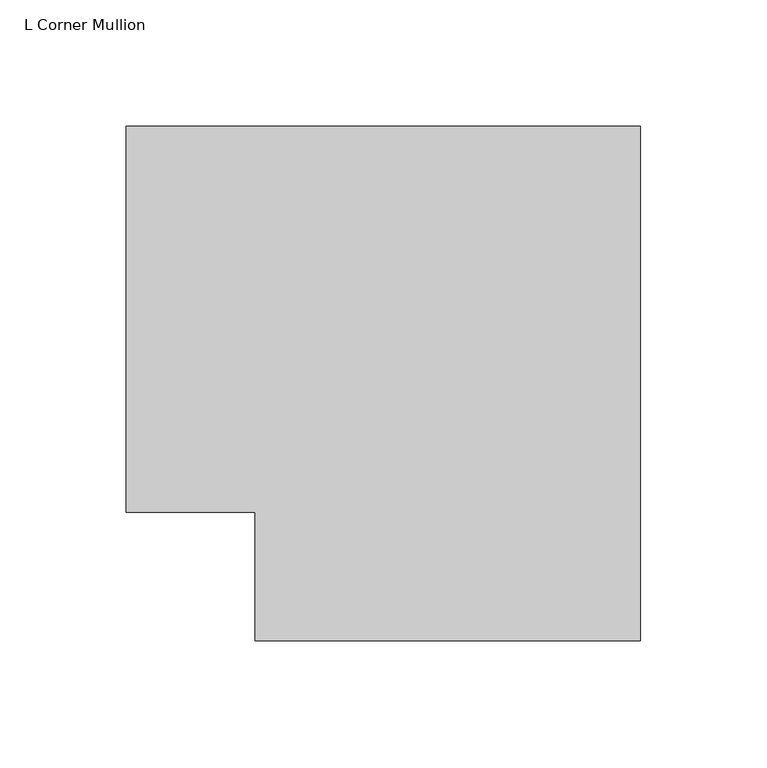
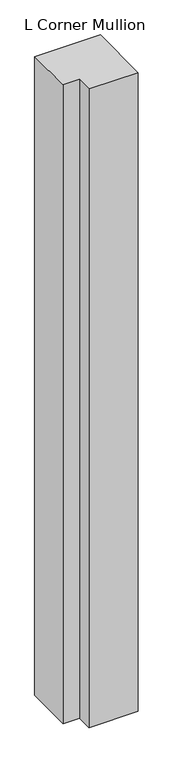
"""IFC4 building model written with IfcOpenShell, lengths in millimetres: member geometry, L Corner Mullion."""

import ifcopenshell
import ifcopenshell.guid

model = None  # the IFC model being written
_history = None  # IfcOwnerHistory: only IFC2X3 demands one
_inside = {}  # id of a spatial element -> (the spatial element, [elements in it])
_under = {}  # id of a project, library or spatial element -> (it, [spatial elements below it])
_declared = {}  # id of a project -> (the project, [libraries it declares])
_typed = {}  # id of a type object -> (the type object, [elements of that type])
_made_of = {}  # id of a material, layer set ... -> (it, [elements and type objects made of it])


def new_model(schema):
    """Start an empty IFC model of exactly this schema.

    Asked for "IFC4X3", IfcOpenShell would pick the latest addendum, in which some entities
    have other attributes; the version numbers below select the first issue.
    IFC2X3 requires an IfcOwnerHistory on every rooted entity: one is made here for all.
    """
    global model, _history
    if schema == "IFC4X3":
        model = ifcopenshell.file(schema_version=(4, 3, 0, 0))
    else:
        model = ifcopenshell.file(schema=schema)
    _inside.clear()
    _under.clear()
    _declared.clear()
    _typed.clear()
    _made_of.clear()
    _history = None
    if model.schema == "IFC2X3":
        org = make("IfcOrganization", Name="unknown")
        user = make(
            "IfcPersonAndOrganization",
            ThePerson=make("IfcPerson", FamilyName="unknown"),
            TheOrganization=org,
        )
        app = make(
            "IfcApplication",
            ApplicationDeveloper=org,
            Version="unknown",
            ApplicationFullName="unknown",
            ApplicationIdentifier="unknown",
        )
        _history = make(
            "IfcOwnerHistory",
            OwningUser=user,
            OwningApplication=app,
            ChangeAction="ADDED",
            CreationDate=0,
        )
    return model


def make(cls, **values):
    """One entity of the class cls with the attributes given. An attribute that is None is left unset."""
    return model.create_entity(
        cls, **{name: value for name, value in values.items() if value is not None}
    )


def rooted(cls, **values):
    """An entity with a GlobalId (a new one), such as an element, a storey or a relation."""
    return make(cls, GlobalId=ifcopenshell.guid.new(), OwnerHistory=_history, **values)


def si_unit(unit_type, name, prefix=None):
    """IfcSIUnit, for example si_unit("LENGTHUNIT", "METRE", prefix="MILLI")."""
    return make("IfcSIUnit", UnitType=unit_type, Prefix=prefix, Name=name)


def assignment(units):
    """IfcUnitAssignment: the units of a project."""
    return None if units is None else make("IfcUnitAssignment", Units=units)


def point(xyz):
    """IfcCartesianPoint."""
    return None if xyz is None else make("IfcCartesianPoint", Coordinates=xyz)


def direction(xyz):
    """IfcDirection."""
    return None if xyz is None else make("IfcDirection", DirectionRatios=xyz)


def frame(location, z_axis=None, x_axis=None):
    """IfcAxis2Placement3D, a coordinate frame: its origin and axes. An axis left out is left unset."""
    return make(
        "IfcAxis2Placement3D",
        Location=point(location),
        Axis=direction(z_axis),
        RefDirection=direction(x_axis),
    )


def origin():
    """The frame at (0, 0, 0) with its axes left unset."""
    return frame((0.0, 0.0, 0.0))


def place(relative_to, where):
    """IfcLocalPlacement: puts the frame where relative to a parent placement (None: the world)."""
    return make(
        "IfcLocalPlacement", PlacementRelTo=relative_to, RelativePlacement=where
    )


def context(
    kind, dimensions, precision=None, world=None, true_north=None, identifier=None
):
    """IfcGeometricRepresentationContext, for example the 3D "Model" context."""
    return make(
        "IfcGeometricRepresentationContext",
        ContextIdentifier=identifier,
        ContextType=kind,
        CoordinateSpaceDimension=dimensions,
        Precision=precision,
        WorldCoordinateSystem=world,
        TrueNorth=true_north,
    )


def project(units=None, contexts=None):
    """IfcProject with its units and contexts."""
    return rooted(
        "IfcProject",
        Name="project",
        RepresentationContexts=contexts,
        UnitsInContext=assignment(units),
    )


def spatial(cls, under=None, at=None, **own):
    """A site, building, storey or space (cls), placed at a placement, below another one or the project."""
    s = rooted(cls, ObjectPlacement=at, **own)
    if under is not None:
        _under.setdefault(under.id(), (under, []))[1].append(s)
    return s


def polyline(points):
    """IfcPolyline through the points."""
    return make("IfcPolyline", Points=[point(p) for p in points])


def outline(outer, holes=None, kind="AREA"):
    """IfcArbitraryClosedProfileDef: a profile drawn as a closed curve; with holes, ...WithVoids."""
    if holes is None:
        return make("IfcArbitraryClosedProfileDef", ProfileType=kind, OuterCurve=outer)
    return make(
        "IfcArbitraryProfileDefWithVoids",
        ProfileType=kind,
        OuterCurve=outer,
        InnerCurves=holes,
    )


def extrude(swept, where, along, depth):
    """IfcExtrudedAreaSolid: the profile swept, set in the frame where, extruded along a direction by depth."""
    return make(
        "IfcExtrudedAreaSolid",
        SweptArea=swept,
        Position=where,
        ExtrudedDirection=direction(along),
        Depth=depth,
    )


def shape(context_of_items, identifier, shape_type, items):
    """IfcShapeRepresentation: the items that make up one representation, for example the "Body"."""
    return make(
        "IfcShapeRepresentation",
        ContextOfItems=context_of_items,
        RepresentationIdentifier=identifier,
        RepresentationType=shape_type,
        Items=items,
    )


def source(mapping_origin, context_of_items, identifier, shape_type, items):
    """IfcRepresentationMap: a shape defined once, which mapped items show again and again."""
    return make(
        "IfcRepresentationMap",
        MappingOrigin=mapping_origin,
        MappedRepresentation=shape(context_of_items, identifier, shape_type, items),
    )


def transform(
    local_origin,
    x_axis=None,
    y_axis=None,
    z_axis=None,
    scale=None,
    scale2=None,
    scale3=None,
    uniform=True,
):
    """IfcCartesianTransformationOperator3D, or its non-uniform kind. x_axis, y_axis, z_axis: its Axis1, 2, 3."""
    if uniform:
        return make(
            "IfcCartesianTransformationOperator3D",
            Axis1=direction(x_axis),
            Axis2=direction(y_axis),
            LocalOrigin=point(local_origin),
            Scale=scale,
            Axis3=direction(z_axis),
        )
    return make(
        "IfcCartesianTransformationOperator3DnonUniform",
        Axis1=direction(x_axis),
        Axis2=direction(y_axis),
        LocalOrigin=point(local_origin),
        Scale=scale,
        Axis3=direction(z_axis),
        Scale2=scale2,
        Scale3=scale3,
    )


def mapped(mapping_source, mapping_target):
    """IfcMappedItem: shows the shape of a source again, moved by a transform."""
    return make(
        "IfcMappedItem", MappingSource=mapping_source, MappingTarget=mapping_target
    )


def made_of(thing, what):
    """Note that an element or type object is made of a material, layer set ...; save() writes the relation."""
    if what is not None:
        _made_of.setdefault(what.id(), (what, []))[1].append(thing)
    return thing


def element(
    cls,
    number,
    at=None,
    inside=None,
    cuts=None,
    type_object=None,
    material=None,
    context=None,
    identifier="Body",
    shape_type=None,
    held_by="IfcProductDefinitionShape",
    body=None,
    shapes=None,
    **own,
):
    """One element of the class cls, such as IfcWall. Its Tag is "e" and its number.

    at: its placement. inside: the storey or other place that contains it. cuts: it is an
    opening in that element (IfcRelVoidsElement). A single representation is given by context,
    identifier, shape_type and body (its items); several are given by shapes. held_by: the class
    of the entity that holds the representations. save() writes the other relations.
    """
    e = rooted(cls, Tag="e%d" % number, ObjectPlacement=at, **own)
    if body is not None:
        shapes = [shape(context, identifier, shape_type, body)]
    if shapes is not None:
        e.Representation = make(held_by, Representations=shapes)
    if inside is not None:
        _inside.setdefault(inside.id(), (inside, []))[1].append(e)
    if cuts is not None:
        rooted(
            "IfcRelVoidsElement", RelatingBuildingElement=cuts, RelatedOpeningElement=e
        )
    if type_object is not None:
        _typed.setdefault(type_object.id(), (type_object, []))[1].append(e)
    return made_of(e, material)


def aggregate(whole, parts):
    """IfcRelAggregates: a whole, such as a stair, and the parts it consists of."""
    return rooted("IfcRelAggregates", RelatingObject=whole, RelatedObjects=parts)


def save(model, path):
    """Write the relations noted so far, then the file.

    IfcRelAggregates (storeys below a building ...), IfcRelContainedInSpatialStructure (elements
    in a storey), IfcRelDefinesByType, IfcRelAssociatesMaterial and IfcRelDeclares: one each for
    every whole, place, type object, material and project.
    """
    for whole, parts in _under.values():
        aggregate(whole, parts)
    for where, things in _inside.values():
        rooted(
            "IfcRelContainedInSpatialStructure",
            RelatedElements=things,
            RelatingStructure=where,
        )
    for kind, things in _typed.values():
        rooted("IfcRelDefinesByType", RelatedObjects=things, RelatingType=kind)
    for what, things in _made_of.values():
        rooted("IfcRelAssociatesMaterial", RelatedObjects=things, RelatingMaterial=what)
    for by, libraries in _declared.values():
        rooted("IfcRelDeclares", RelatingContext=by, RelatedDefinitions=libraries)
    model.write(path)


def l_corner_mullion_126e33b0(model_context):
    return source(origin(), model_context, "Body", "SweptSolid", [
        extrude(outline(polyline([(-139.7, -190.5), (-139.7, -139.7), (-190.5, -139.7), (-190.5, 12.7), (12.7, 12.7), (12.7, -190.5), (-139.7, -190.5)])), frame((0.0, 0.0, -2092.325), z_axis=(0.0, 0.0, 1.0), x_axis=(1.0, 0.0, 0.0)), (0.0, 0.0, 1.0), 2092.325),
    ])


if __name__ == "__main__":
    model = new_model("IFC4")
    model_context = context("Model", 3, world=origin())
    ifc_project = project(units=[si_unit("LENGTHUNIT", "METRE", prefix="MILLI")], contexts=[model_context])
    site = spatial("IfcSite", under=ifc_project)
    building = spatial("IfcBuilding", under=site)
    placement = place(None, origin())
    l_corner_mullion_shape = l_corner_mullion_126e33b0(model_context)
    element("IfcMember", 1, ObjectType="L Corner Mullion", at=placement, inside=building, context=model_context, shape_type="MappedRepresentation", body=[
        mapped(l_corner_mullion_shape, transform((0.0, 0.0, 0.0), x_axis=(1.0, 0.0, 0.0), y_axis=(0.0, 1.0, 0.0), z_axis=(0.0, 0.0, 1.0))),
    ])
    save(model, "model.ifc")
